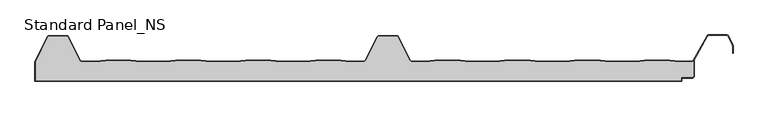
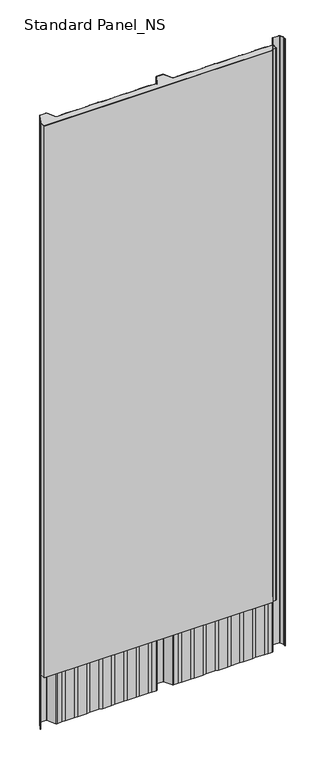
"""IFC4 building model written with IfcOpenShell, lengths in millimetres: proxy geometry, Standard Panel_NS."""

from ifc_helpers import new_model, si_unit, point, frame, frame_2d, origin, origin_with_axes, place, context, project, spatial, polyline, circle_curve, trimmed, segment, composite_curve, outline, extrude, source, transform, mapped, element, save


def standard_panel_ns_9302eaf6(model_context):
    return source(origin(), model_context, "Body", "SweptSolid", [
        extrude(outline(composite_curve([segment(trimmed(circle_curve(frame_2d((461.2333678, 7.9776976)), 2.1), [point((463.3333678, 7.9776976))], [point((461.2333678, 5.8776976))], False, "CARTESIAN"), True, "CONTINUOUS"), segment(polyline([(461.2333678, 5.8776976), (444.4044996, 5.8776976), (444.4044996, 0.8776976), (-533.8689812, 0.8776976), (-533.8689812, 29.987751), (-515.1468491, 67.2989838)]), True, "CONTINUOUS"), segment(trimmed(circle_curve(frame_2d((-513.1679785, 66.3376976)), 2.2), [point((-515.1468491, 67.2989838))], [point((-513.1679785, 68.5376976))], False, "CARTESIAN"), True, "CONTINUOUS"), segment(polyline([(-513.1679785, 68.5376976), (-486.83184, 68.5376976)]), True, "CONTINUOUS"), segment(trimmed(circle_curve(frame_2d((-486.83184, 66.3376976)), 2.2), [point((-486.83184, 68.5376976))], [point((-484.8632284, 67.3198221))], False, "CARTESIAN"), True, "CONTINUOUS"), segment(polyline([(-484.8632284, 67.3198221), (-466.9621881, 31.7014308)]), True, "CONTINUOUS"), segment(trimmed(circle_curve(frame_2d((-463.5629534, 33.4000196)), 3.8), [point((-466.9621881, 31.7014308))], [point((-463.5629534, 29.6000196))], True, "CARTESIAN"), True, "CONTINUOUS"), segment(polyline([(-463.5629534, 29.6000196), (-442.4071525, 29.6000196), (-427.5266141, 31.4), (-389.5037331, 31.4), (-374.6231947, 29.6000196), (-336.4071525, 29.6000196), (-321.5266141, 31.4), (-283.5037331, 31.4), (-268.6231947, 29.6000196), (-230.4071525, 29.6000196), (-215.5266141, 31.4), (-177.5037331, 31.4), (-162.6231947, 29.6000196), (-124.4071525, 29.6000196), (-109.5266141, 31.4), (-71.5037331, 31.4), (-56.6231947, 29.6000196), (-36.856799, 29.6000196)]), True, "CONTINUOUS"), segment(trimmed(circle_curve(frame_2d((-36.856799, 33.4000196)), 3.8), [point((-36.856799, 29.6000196))], [point((-33.4593215, 31.697919))], True, "CARTESIAN"), True, "CONTINUOUS"), segment(polyline([(-33.4593215, 31.697919), (-15.1166702, 67.3890619)]), True, "CONTINUOUS"), segment(trimmed(circle_curve(frame_2d((-13.1465337, 66.41)), 2.2), [point((-15.1166702, 67.3890619))], [point((-13.1465337, 68.61))], False, "CARTESIAN"), True, "CONTINUOUS"), segment(polyline([(-13.1465337, 68.61), (13.1431912, 68.61)]), True, "CONTINUOUS"), segment(trimmed(circle_curve(frame_2d((13.1431912, 66.41)), 2.2), [point((13.1431912, 68.61))], [point((15.1133281, 67.389061))], False, "CARTESIAN"), True, "CONTINUOUS"), segment(polyline([(15.1133281, 67.389061), (33.4515652, 31.7067576)]), True, "CONTINUOUS"), segment(trimmed(circle_curve(frame_2d((36.8490422, 33.4088594)), 3.8), [point((33.4515652, 31.7067576))], [point((36.8490422, 29.6088594))], True, "CARTESIAN"), True, "CONTINUOUS"), segment(polyline([(36.8490422, 29.6088594), (56.6929307, 29.6088594), (71.5003906, 31.4), (109.5232716, 31.4), (124.3424702, 29.6074394), (162.6811919, 29.6074394), (177.5003906, 31.4), (215.5232716, 31.4), (230.356647, 29.6057246), (268.6670151, 29.6057246), (283.5003906, 31.4), (321.5232716, 31.4), (336.3708239, 29.6040097), (374.6528383, 29.6040097), (389.5003906, 31.4), (427.5232716, 31.4), (442.3850007, 29.6022949), (460.2255768, 29.6022949)]), True, "CONTINUOUS"), segment(trimmed(circle_curve(frame_2d((460.1791882, 33.4020117)), 3.8), [point((460.2255768, 29.6022949))], [point((463.3333678, 31.2827781))], True, "CARTESIAN"), True, "CONTINUOUS"), segment(polyline([(463.3333678, 31.2827781), (463.3333678, 7.9776976)]), True, "CONTINUOUS")], self_intersect=False)), origin_with_axes(), (0.0, 0.0, 1.0), 2500.0),
        extrude(outline(composite_curve([segment(polyline([(-321.5748232, 32.2), (-283.455524, 32.2), (-268.5749856, 30.4000196), (-230.4553616, 30.4000196), (-215.5748232, 32.2), (-177.455524, 32.2), (-162.5749856, 30.4000196), (-124.4553616, 30.4000196), (-109.5748232, 32.2), (-71.455524, 32.2), (-56.5749856, 30.4000196), (-36.856799, 30.4000196)]), True, "CONTINUOUS"), segment(trimmed(circle_curve(frame_2d((-36.856799, 33.4000196)), 3.0), [point((-36.856799, 30.4000196))], [point((-34.1728476, 32.0597193))], True, "CARTESIAN"), True, "CONTINUOUS"), segment(polyline([(-34.1728476, 32.0597193), (-15.8304851, 67.7503003)]), True, "CONTINUOUS"), segment(trimmed(circle_curve(frame_2d((-13.1465337, 66.41)), 3.0), [point((-15.8304851, 67.7503003))], [point((-13.1465337, 69.41))], False, "CARTESIAN"), True, "CONTINUOUS"), segment(polyline([(-13.1465337, 69.41), (13.1431912, 69.41)]), True, "CONTINUOUS"), segment(trimmed(circle_curve(frame_2d((13.1431912, 66.41)), 3.0), [point((13.1431912, 69.41))], [point((15.8271426, 67.7503003))], False, "CARTESIAN"), True, "CONTINUOUS"), segment(polyline([(15.8271426, 67.7503003), (34.1650908, 32.0685591)]), True, "CONTINUOUS"), segment(trimmed(circle_curve(frame_2d((36.8490422, 33.4088594)), 3.0), [point((34.1650908, 32.0685591))], [point((36.8490422, 30.4088594))], True, "CARTESIAN"), True, "CONTINUOUS"), segment(polyline([(36.8490422, 30.4088594), (56.6447216, 30.4088594), (71.4521815, 32.2), (109.5714807, 32.2), (124.3906793, 30.4074394), (162.6329828, 30.4074394), (177.4521815, 32.2), (215.5714807, 32.2), (230.4048562, 30.4057246), (268.618806, 30.4057246), (283.4521815, 32.2), (321.5714807, 32.2), (336.419033, 30.4040097), (374.6046292, 30.4040097), (389.4521815, 32.2), (427.5714807, 32.2), (442.4332098, 30.4022949), (460.137971, 30.4022949)]), True, "CONTINUOUS"), segment(trimmed(circle_curve(frame_2d((460.1791882, 33.4020117)), 3.0), [point((460.137971, 30.4022949))], [point((462.8067156, 31.9542204))], True, "CARTESIAN"), True, "CONTINUOUS"), segment(polyline([(462.8067156, 31.9542204), (483.709141, 68.8490344)]), True, "CONTINUOUS"), segment(trimmed(circle_curve(frame_2d((486.3366684, 67.401243)), 3.0), [point((483.709141, 68.8490344))], [point((486.3366684, 70.401243))], False, "CARTESIAN"), True, "CONTINUOUS"), segment(polyline([(486.3366684, 70.401243), (513.6856739, 70.401243)]), True, "CONTINUOUS"), segment(trimmed(circle_curve(frame_2d((513.6856739, 67.401243)), 3.0), [point((513.6856739, 70.401243))], [point((516.3696253, 68.7415434))], False, "CARTESIAN"), True, "CONTINUOUS"), segment(polyline([(516.3696253, 68.7415434), (522.8988101, 55.6668507)]), True, "CONTINUOUS"), segment(trimmed(circle_curve(frame_2d((520.2148587, 54.3265504)), 3.0), [point((522.8988101, 55.6668507))], [point((523.2148587, 54.3265504))], False, "CARTESIAN"), True, "CONTINUOUS"), segment(polyline([(523.2148587, 54.3265504), (523.2148587, 42.8571101), (522.4148587, 42.8571101), (522.4148587, 54.3265504)]), True, "CONTINUOUS"), segment(trimmed(circle_curve(frame_2d((520.2148587, 54.3265504)), 2.2), [point((522.4148587, 54.3265504))], [point((522.1830897, 55.3094373))], True, "CARTESIAN"), True, "CONTINUOUS"), segment(polyline([(522.1830897, 55.3094373), (515.6539049, 68.3841299)]), True, "CONTINUOUS"), segment(trimmed(circle_curve(frame_2d((513.6856739, 67.401243)), 2.2), [point((515.6539049, 68.3841299))], [point((513.6856739, 69.601243))], True, "CARTESIAN"), True, "CONTINUOUS"), segment(polyline([(513.6856739, 69.601243), (486.3366684, 69.601243)]), True, "CONTINUOUS"), segment(trimmed(circle_curve(frame_2d((486.3366684, 67.401243)), 2.2), [point((486.3366684, 69.601243))], [point((484.4077107, 68.4591287))], True, "CARTESIAN"), True, "CONTINUOUS"), segment(polyline([(484.4077107, 68.4591287), (463.5049669, 31.5637527)]), True, "CONTINUOUS"), segment(trimmed(circle_curve(frame_2d((460.1791882, 33.4020117)), 3.8), [point((463.5049669, 31.5637527))], [point((460.1327996, 29.6022949))], False, "CARTESIAN"), True, "CONTINUOUS"), segment(polyline([(460.1327996, 29.6022949), (442.3850007, 29.6022949), (427.5232716, 31.4), (389.5003906, 31.4), (374.6528383, 29.6040097), (336.3708239, 29.6040097), (321.5232716, 31.4), (283.5003906, 31.4), (268.6670151, 29.6057246), (230.356647, 29.6057246), (215.5232716, 31.4), (177.5003906, 31.4), (162.6811919, 29.6074394), (124.3424702, 29.6074394), (109.5232716, 31.4), (71.5003906, 31.4), (56.6929307, 29.6088594), (36.8490422, 29.6088594)]), True, "CONTINUOUS"), segment(trimmed(circle_curve(frame_2d((36.8490422, 33.4088594)), 3.8), [point((36.8490422, 29.6088594))], [point((33.4515652, 31.7067576))], False, "CARTESIAN"), True, "CONTINUOUS"), segment(polyline([(33.4515652, 31.7067576), (15.1133281, 67.389061)]), True, "CONTINUOUS"), segment(trimmed(circle_curve(frame_2d((13.1431912, 66.41)), 2.2), [point((15.1133281, 67.389061))], [point((13.1431912, 68.61))], True, "CARTESIAN"), True, "CONTINUOUS"), segment(polyline([(13.1431912, 68.61), (-13.1465337, 68.61)]), True, "CONTINUOUS"), segment(trimmed(circle_curve(frame_2d((-13.1465337, 66.41)), 2.2), [point((-13.1465337, 68.61))], [point((-15.1166702, 67.3890619))], True, "CARTESIAN"), True, "CONTINUOUS"), segment(polyline([(-15.1166702, 67.3890619), (-33.4593215, 31.697919)]), True, "CONTINUOUS"), segment(trimmed(circle_curve(frame_2d((-36.856799, 33.4000196)), 3.8), [point((-33.4593215, 31.697919))], [point((-36.856799, 29.6000196))], False, "CARTESIAN"), True, "CONTINUOUS"), segment(polyline([(-36.856799, 29.6000196), (-56.6231947, 29.6000196), (-71.5037331, 31.4), (-109.5266141, 31.4), (-124.4071525, 29.6000196), (-162.6231947, 29.6000196), (-177.5037331, 31.4), (-215.5266141, 31.4), (-230.4071525, 29.6000196), (-268.6231947, 29.6000196), (-283.5037331, 31.4), (-321.5266141, 31.4), (-336.4071525, 29.6000196), (-374.6231947, 29.6000196), (-389.5037331, 31.4), (-427.5266141, 31.4), (-442.4071525, 29.6000196), (-463.5629534, 29.6000196)]), True, "CONTINUOUS"), segment(trimmed(circle_curve(frame_2d((-463.5629534, 33.4000196)), 3.8), [point((-463.5629534, 29.6000196))], [point((-466.9621881, 31.7014308))], False, "CARTESIAN"), True, "CONTINUOUS"), segment(polyline([(-466.9621881, 31.7014308), (-484.8632284, 67.3421244)]), True, "CONTINUOUS"), segment(trimmed(circle_curve(frame_2d((-486.83184, 66.36)), 2.2), [point((-484.8632284, 67.3421244))], [point((-486.83184, 68.56))], True, "CARTESIAN"), True, "CONTINUOUS"), segment(polyline([(-486.83184, 68.56), (-513.1679785, 68.56)]), True, "CONTINUOUS"), segment(trimmed(circle_curve(frame_2d((-513.1679785, 66.36)), 2.2), [point((-513.1679785, 68.56))], [point((-515.1468491, 67.3212862))], True, "CARTESIAN"), True, "CONTINUOUS"), segment(polyline([(-515.1468491, 67.3212862), (-533.8740229, 29.9776976), (-534.7689812, 29.9776976), (-515.8640556, 67.6757386)]), True, "CONTINUOUS"), segment(trimmed(circle_curve(frame_2d((-513.1679785, 66.36)), 3.0), [point((-515.8640556, 67.6757386))], [point((-513.1679785, 69.36))], False, "CARTESIAN"), True, "CONTINUOUS"), segment(polyline([(-513.1679785, 69.36), (-486.83184, 69.36)]), True, "CONTINUOUS"), segment(trimmed(circle_curve(frame_2d((-486.83184, 66.36)), 3.0), [point((-486.83184, 69.36))], [point((-484.1478886, 67.7003003))], False, "CARTESIAN"), True, "CONTINUOUS"), segment(polyline([(-484.1478886, 67.7003003), (-466.2469048, 32.0597193)]), True, "CONTINUOUS"), segment(trimmed(circle_curve(frame_2d((-463.5629534, 33.4000196)), 3.0), [point((-466.2469048, 32.0597193))], [point((-463.5629534, 30.4000196))], True, "CARTESIAN"), True, "CONTINUOUS"), segment(polyline([(-463.5629534, 30.4000196), (-442.4553616, 30.4000196), (-427.5748232, 32.2), (-389.455524, 32.2), (-374.5749856, 30.4000196), (-336.4553616, 30.4000196), (-321.5748232, 32.2)]), True, "CONTINUOUS")], self_intersect=False)), frame((0.0, 0.0, -250.0), z_axis=(0.0, 0.0, 1.0), x_axis=(1.0, 0.0, 0.0)), (0.0, 0.0, 1.0), 2750.0),
        extrude(outline(composite_curve([segment(polyline([(-534.7689812, 29.9776976), (-533.8689812, 29.9776976), (-533.8689812, 0.9), (444.4044996, 0.9), (444.4044996, 5.9), (461.2333678, 5.9)]), True, "CONTINUOUS"), segment(trimmed(circle_curve(frame_2d((461.2333678, 8.0)), 2.1), [point((461.2333678, 5.9))], [point((463.3333678, 8.0))], True, "CARTESIAN"), True, "CONTINUOUS"), segment(polyline([(463.3333678, 8.0), (463.3333678, 31.2827781), (464.2333678, 32.8494512), (464.2333678, 8.0)]), True, "CONTINUOUS"), segment(trimmed(circle_curve(frame_2d((461.2333678, 8.0)), 3.0), [point((464.2333678, 8.0))], [point((461.2333678, 5.0))], False, "CARTESIAN"), True, "CONTINUOUS"), segment(polyline([(461.2333678, 5.0), (445.3044996, 5.0), (445.3044996, 0.0), (-534.7689812, 0.0), (-534.7689812, 29.9776976)]), True, "CONTINUOUS")], self_intersect=False)), origin_with_axes(), (0.0, 0.0, 1.0), 2500.0),
    ])


if __name__ == "__main__":
    model = new_model("IFC4")
    model_context = context("Model", 3, world=origin())
    ifc_project = project(units=[si_unit("LENGTHUNIT", "METRE", prefix="MILLI")], contexts=[model_context])
    site = spatial("IfcSite", under=ifc_project)
    building = spatial("IfcBuilding", under=site)
    placement = place(None, origin())
    standard_panel_ns_shape = standard_panel_ns_9302eaf6(model_context)
    element("IfcBuildingElementProxy", 1, Name="Standard Panel_NS", ObjectType="Standard Panel_NS", at=placement, inside=building, context=model_context, shape_type="MappedRepresentation", body=[
        mapped(standard_panel_ns_shape, transform((0.0, 0.0, 0.0), x_axis=(1.0, 0.0, 0.0), y_axis=(0.0, 1.0, 0.0), z_axis=(0.0, 0.0, 1.0))),
    ])
    save(model, "model.ifc")
